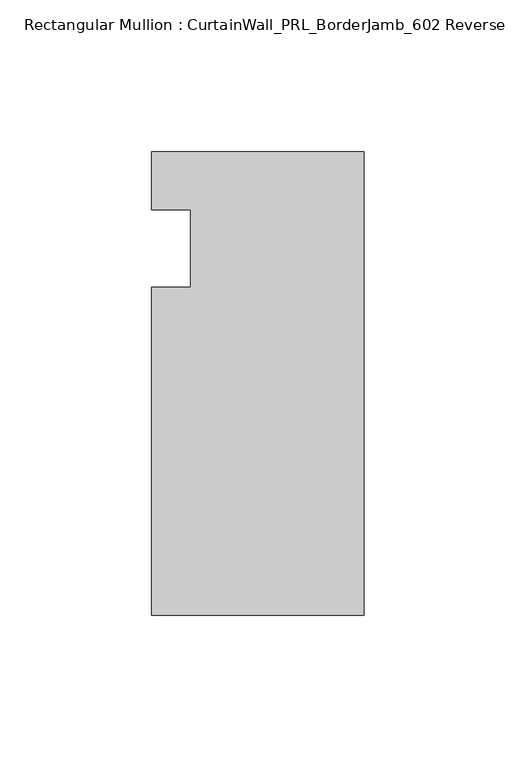
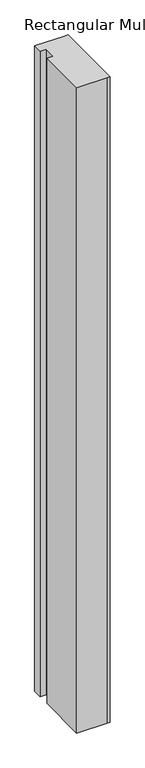
"""IFC4 building model written with IfcOpenShell, lengths in millimetres: member geometry, Rectangular Mullion : CurtainWall_PRL_BorderJamb_602 Reverse."""

from ifc_helpers import new_model, si_unit, frame, origin, place, context, project, spatial, polyline, outline, extrude, source, transform, mapped, element, save


def rectangular_mullion_curtainwall_prl_borderjamb_602_reverse_9361d2b5(model_context):
    return source(origin(), model_context, "Body", "SweptSolid", [
        extrude(outline(polyline([(-57.15, -12.7), (-57.15, 12.7), (-69.85, 12.7), (-69.85, 31.75), (-7.3958824, 31.75), (0.0, 31.75), (0.0, -120.65), (-6.35, -120.65), (-69.85, -120.65), (-69.85, -12.7), (-57.15, -12.7)])), frame((0.0, 0.0, -1427.4348719), z_axis=(0.0, 0.0, 1.0), x_axis=(1.0, 0.0, 0.0)), (0.0, 0.0, 1.0), 1427.4348719),
    ])


if __name__ == "__main__":
    model = new_model("IFC4")
    model_context = context("Model", 3, world=origin())
    ifc_project = project(units=[si_unit("LENGTHUNIT", "METRE", prefix="MILLI")], contexts=[model_context])
    site = spatial("IfcSite", under=ifc_project)
    building = spatial("IfcBuilding", under=site)
    placement = place(None, origin())
    rectangular_mullion_curtainwall_prl_borderjamb_602_reverse_shape = rectangular_mullion_curtainwall_prl_borderjamb_602_reverse_9361d2b5(model_context)
    element("IfcMember", 1, ObjectType="Rectangular Mullion : CurtainWall_PRL_BorderJamb_602 Reverse", at=placement, inside=building, context=model_context, shape_type="MappedRepresentation", body=[
        mapped(rectangular_mullion_curtainwall_prl_borderjamb_602_reverse_shape, transform((0.0, 0.0, 0.0), x_axis=(1.0, 0.0, 0.0), y_axis=(0.0, 1.0, 0.0), z_axis=(0.0, 0.0, 1.0))),
    ])
    save(model, "model.ifc")
